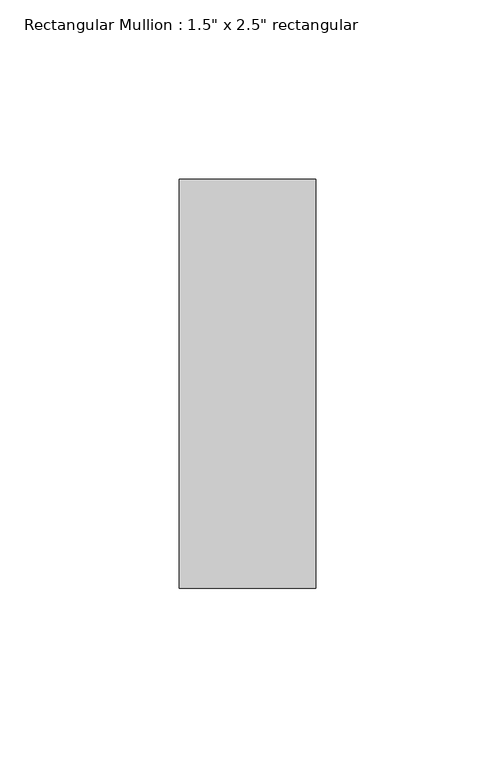
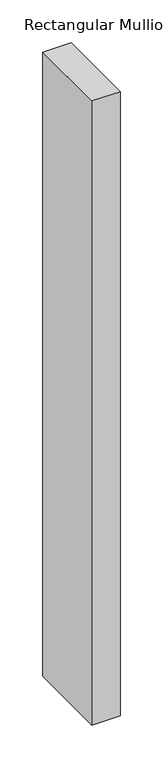
"""IFC4 building model written with IfcOpenShell, lengths in millimetres: member geometry."""

from ifc_helpers import new_model, si_unit, frame, origin, place, context, project, spatial, polyline, outline, extrude, source, transform, mapped, element, save


def member_6341988d(model_context):
    return source(origin(), model_context, "Body", "SweptSolid", [
        extrude(outline(polyline([(0.0, 57.15), (0.0, -57.15), (-38.1, -57.15), (-38.1, 57.15), (0.0, 57.15)])), frame((0.0, 0.0, -889.0), z_axis=(0.0, 0.0, 1.0), x_axis=(1.0, 0.0, 0.0)), (0.0, 0.0, 1.0), 889.0),
    ])


if __name__ == "__main__":
    model = new_model("IFC4")
    model_context = context("Model", 3, world=origin())
    ifc_project = project(units=[si_unit("LENGTHUNIT", "METRE", prefix="MILLI")], contexts=[model_context])
    site = spatial("IfcSite", under=ifc_project)
    building = spatial("IfcBuilding", under=site)
    placement = place(None, origin())
    member_shape = member_6341988d(model_context)
    element("IfcMember", 1, ObjectType="Rectangular Mullion : 1.5\" x 2.5\" rectangular", at=placement, inside=building, context=model_context, shape_type="MappedRepresentation", body=[
        mapped(member_shape, transform((0.0, 0.0, 0.0), x_axis=(1.0, 0.0, 0.0), y_axis=(0.0, 1.0, 0.0), z_axis=(0.0, 0.0, 1.0))),
    ])
    save(model, "model.ifc")
